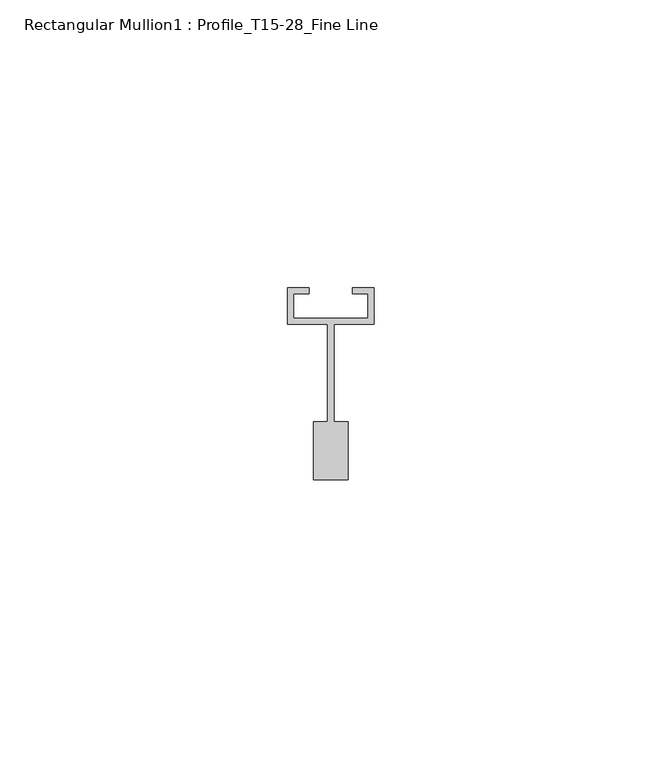
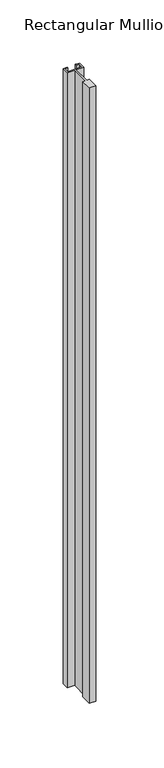
"""IFC4 building model written with IfcOpenShell, lengths in millimetres: member geometry, Rectangular Mullion1 : Profile_T15-28_Fine Line."""

from ifc_helpers import new_model, si_unit, frame, origin, place, context, project, spatial, polyline, outline, extrude, source, transform, mapped, element, save


def rectangular_mullion1_profile_t15_28_fine_line_baa577b4(model_context):
    return source(origin(), model_context, "Body", "SweptSolid", [
        extrude(outline(polyline([(-6.5, 2.7), (6.5, 2.7), (6.5, 7.0), (3.75, 7.0), (3.75, 8.0), (7.5, 8.0), (7.5, 1.7), (0.6, 1.7), (0.6, -15.3), (3.0, -15.3), (3.0, -25.3), (-3.0, -25.3), (-3.0, -15.3), (-0.6, -15.3), (-0.6, 1.7), (-7.5, 1.7), (-7.5, 8.0), (-3.75, 8.0), (-3.75, 7.0), (-6.5, 7.0), (-6.5, 2.7)])), frame((0.0, 0.0, -595.0), z_axis=(0.0, 0.0, 1.0), x_axis=(1.0, 0.0, 0.0)), (0.0, 0.0, 1.0), 595.0),
    ])


if __name__ == "__main__":
    model = new_model("IFC4")
    model_context = context("Model", 3, world=origin())
    ifc_project = project(units=[si_unit("LENGTHUNIT", "METRE", prefix="MILLI")], contexts=[model_context])
    site = spatial("IfcSite", under=ifc_project)
    building = spatial("IfcBuilding", under=site)
    placement = place(None, origin())
    rectangular_mullion1_profile_t15_28_fine_line_shape = rectangular_mullion1_profile_t15_28_fine_line_baa577b4(model_context)
    element("IfcMember", 1, ObjectType="Rectangular Mullion1 : Profile_T15-28_Fine Line", at=placement, inside=building, context=model_context, shape_type="MappedRepresentation", body=[
        mapped(rectangular_mullion1_profile_t15_28_fine_line_shape, transform((0.0, 0.0, 0.0), x_axis=(1.0, 0.0, 0.0), y_axis=(0.0, 1.0, 0.0), z_axis=(0.0, 0.0, 1.0))),
    ])
    save(model, "model.ifc")
